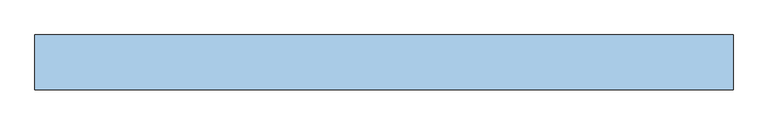
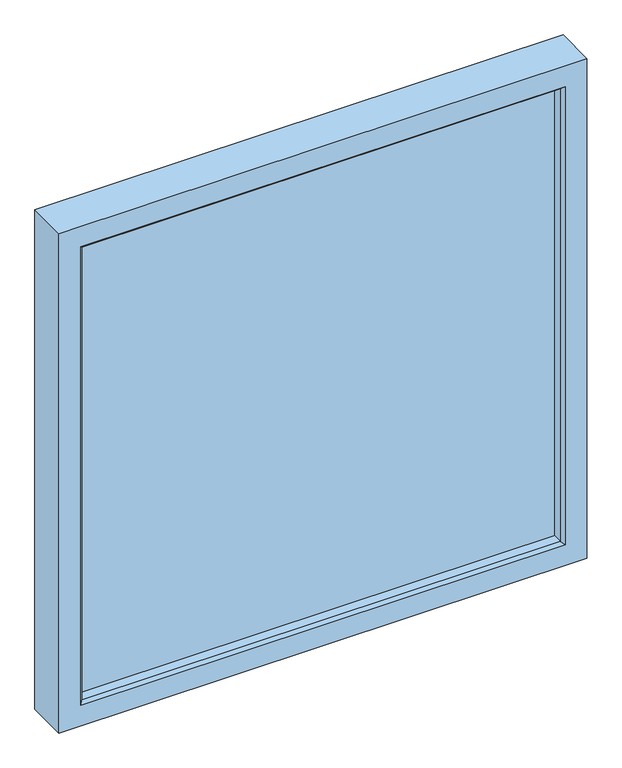
"""IFC4 building model written with IfcOpenShell, lengths in millimetres: window geometry."""

from ifc_helpers import new_model, si_unit, frame, origin, place, context, project, spatial, polyline, outline, extrude, faceted_brep, source, transform, mapped, element, save


def window_378f2b59(model_context):
    return source(origin(), model_context, "Body", "SolidModel", [
        extrude(outline(polyline([(691.0, 0.0), (691.0, -48.0), (-441.0, -48.0), (-441.0, 0.0), (691.0, 0.0)])), frame((0.0, 0.0, 39.003724), z_axis=(0.0, 0.0, 1.0), x_axis=(1.0, 0.0, 0.0)), (0.0, 0.0, 1.0), 1131.992552),
        faceted_brep([(-440.996276, -47.9032267, 1170.996276), (-440.996276, 0.0, 1170.996276), (690.996276, 0.0, 1170.996276), (690.996276, -47.9032267, 1170.996276), (690.996276, 0.0, 39.003724), (690.996276, -47.9032267, 39.003724), (-440.996276, 0.0, 39.003724), (669.3484315, 0.0, 60.6515685), (-419.3484315, 0.0, 60.6515685), (-419.3484315, 0.0, 1149.3484315), (669.3484315, 0.0, 1149.3484315), (-440.996276, -47.9032267, 39.003724), (673.0, -47.9032267, 1153.0), (-423.0, -47.9032267, 1153.0), (-423.0, -47.9032267, 57.0), (673.0, -47.9032267, 57.0), (-423.0, -70.8993013, 1153.0), (673.0, -70.8993013, 1153.0), (673.0, -70.8993013, 57.0), (-423.0, -70.8993013, 57.0), (680.0, -77.8993013, 1160.0), (680.0, -77.8993013, 50.0), (-430.0, -77.8993013, 1160.0), (-430.0, -77.8993013, 50.0), (730.0, -77.8993013, 1210.0), (-480.0, -77.8993013, 1210.0), (-480.0, -77.8993013, 0.0), (730.0, -77.8993013, 0.0), (730.0, 17.1039254, 1210.0), (730.0, 17.1039254, 0.0), (-480.0, 17.1039254, 0.0), (-480.0, 17.1039254, 1210.0), (676.4331106, 17.1039254, 1156.4331106), (-426.4331106, 17.1039254, 1156.4331106), (-426.4331106, 17.1039254, 53.5668894), (676.4331106, 17.1039254, 53.5668894)], [[[0, 1, 2, 3]], [[3, 2, 4, 5]], [[2, 1, 6, 4], [7, 8, 9, 10]], [[5, 4, 6, 11]], [[5, 11, 0, 3], [12, 13, 14, 15]], [[16, 13, 12, 17]], [[17, 12, 15, 18]], [[18, 15, 14, 19]], [[20, 17, 18, 21]], [[22, 16, 17, 20]], [[21, 18, 19, 23]], [[24, 25, 26, 27], [21, 23, 22, 20]], [[28, 24, 27, 29]], [[29, 27, 26, 30]], [[29, 30, 31, 28], [32, 33, 34, 35]], [[11, 6, 1, 0]], [[19, 14, 13, 16]], [[23, 19, 16, 22]], [[30, 26, 25, 31]], [[9, 33, 32, 10]], [[8, 34, 33, 9]], [[7, 35, 34, 8]], [[10, 32, 35, 7]], [[31, 25, 24, 28]]]),
    ])


if __name__ == "__main__":
    model = new_model("IFC4")
    model_context = context("Model", 3, world=origin())
    ifc_project = project(units=[si_unit("LENGTHUNIT", "METRE", prefix="MILLI")], contexts=[model_context])
    site = spatial("IfcSite", under=ifc_project)
    building = spatial("IfcBuilding", under=site)
    placement = place(None, origin())
    window_shape = window_378f2b59(model_context)
    element("IfcWindow", 1, at=placement, inside=building, context=model_context, shape_type="MappedRepresentation", body=[
        mapped(window_shape, transform((0.0, 0.0, 0.0), x_axis=(1.0, 0.0, 0.0), y_axis=(0.0, 1.0, 0.0), z_axis=(0.0, 0.0, 1.0))),
    ])
    save(model, "model.ifc")
